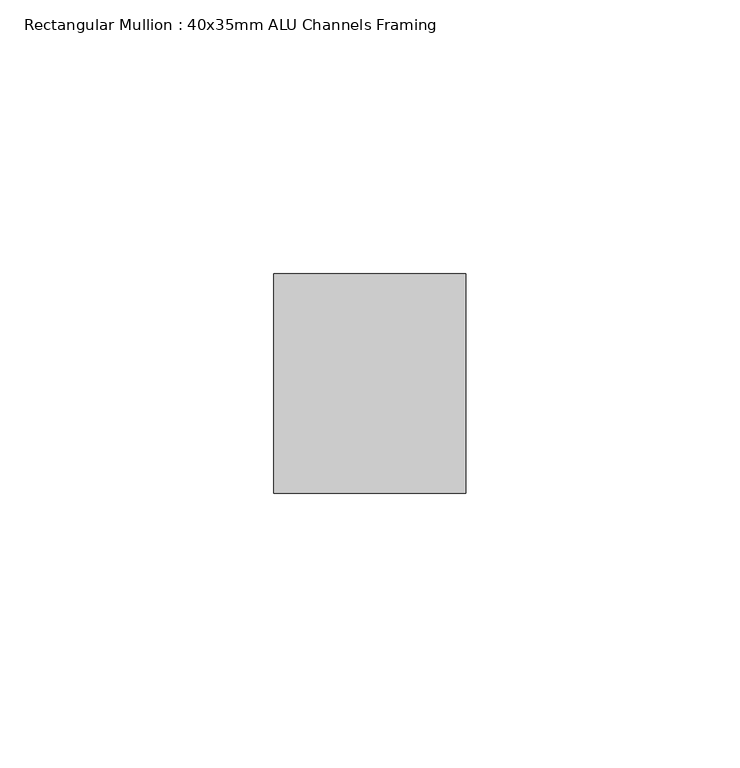
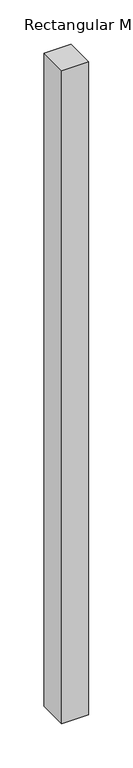
"""IFC4 building model written with IfcOpenShell, lengths in millimetres: member geometry, Rectangular Mullion : 40x35mm ALU Channels Framing."""

from ifc_helpers import new_model, si_unit, frame, origin, place, context, project, spatial, polyline, outline, extrude, source, transform, mapped, element, save


def rectangular_mullion_40x35mm_alu_channels_framing_f27c9efc(model_context):
    return source(origin(), model_context, "Body", "SweptSolid", [
        extrude(outline(polyline([(17.5, 20.0), (17.5, -20.0), (-17.5, -20.0), (-17.5, 20.0), (17.5, 20.0)])), frame((0.0, 0.0, -900.0), z_axis=(0.0, 0.0, 1.0), x_axis=(1.0, 0.0, 0.0)), (0.0, 0.0, 1.0), 900.0),
    ])


if __name__ == "__main__":
    model = new_model("IFC4")
    model_context = context("Model", 3, world=origin())
    ifc_project = project(units=[si_unit("LENGTHUNIT", "METRE", prefix="MILLI")], contexts=[model_context])
    site = spatial("IfcSite", under=ifc_project)
    building = spatial("IfcBuilding", under=site)
    placement = place(None, origin())
    rectangular_mullion_40x35mm_alu_channels_framing_shape = rectangular_mullion_40x35mm_alu_channels_framing_f27c9efc(model_context)
    element("IfcMember", 1, ObjectType="Rectangular Mullion : 40x35mm ALU Channels Framing", at=placement, inside=building, context=model_context, shape_type="MappedRepresentation", body=[
        mapped(rectangular_mullion_40x35mm_alu_channels_framing_shape, transform((0.0, 0.0, 0.0), x_axis=(1.0, 0.0, 0.0), y_axis=(0.0, 1.0, 0.0), z_axis=(0.0, 0.0, 1.0))),
    ])
    save(model, "model.ifc")
